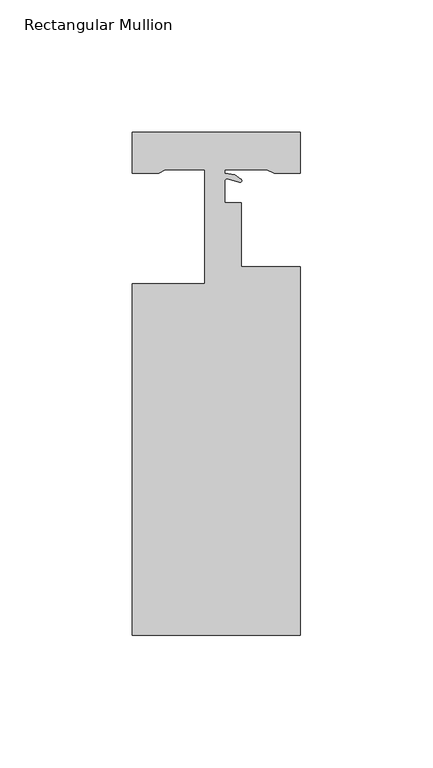
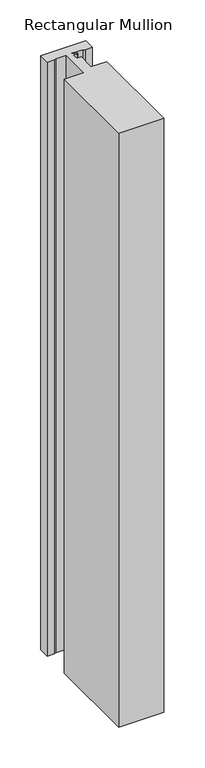
"""IFC4 building model written with IfcOpenShell, lengths in millimetres: member geometry, Rectangular Mullion."""

import ifcopenshell
import ifcopenshell.guid

model = None  # the IFC model being written
_history = None  # IfcOwnerHistory: only IFC2X3 demands one
_inside = {}  # id of a spatial element -> (the spatial element, [elements in it])
_under = {}  # id of a project, library or spatial element -> (it, [spatial elements below it])
_declared = {}  # id of a project -> (the project, [libraries it declares])
_typed = {}  # id of a type object -> (the type object, [elements of that type])
_made_of = {}  # id of a material, layer set ... -> (it, [elements and type objects made of it])


def new_model(schema):
    """Start an empty IFC model of exactly this schema.

    Asked for "IFC4X3", IfcOpenShell would pick the latest addendum, in which some entities
    have other attributes; the version numbers below select the first issue.
    IFC2X3 requires an IfcOwnerHistory on every rooted entity: one is made here for all.
    """
    global model, _history
    if schema == "IFC4X3":
        model = ifcopenshell.file(schema_version=(4, 3, 0, 0))
    else:
        model = ifcopenshell.file(schema=schema)
    _inside.clear()
    _under.clear()
    _declared.clear()
    _typed.clear()
    _made_of.clear()
    _history = None
    if model.schema == "IFC2X3":
        org = make("IfcOrganization", Name="unknown")
        user = make(
            "IfcPersonAndOrganization",
            ThePerson=make("IfcPerson", FamilyName="unknown"),
            TheOrganization=org,
        )
        app = make(
            "IfcApplication",
            ApplicationDeveloper=org,
            Version="unknown",
            ApplicationFullName="unknown",
            ApplicationIdentifier="unknown",
        )
        _history = make(
            "IfcOwnerHistory",
            OwningUser=user,
            OwningApplication=app,
            ChangeAction="ADDED",
            CreationDate=0,
        )
    return model


def make(cls, **values):
    """One entity of the class cls with the attributes given. An attribute that is None is left unset."""
    return model.create_entity(
        cls, **{name: value for name, value in values.items() if value is not None}
    )


def rooted(cls, **values):
    """An entity with a GlobalId (a new one), such as an element, a storey or a relation."""
    return make(cls, GlobalId=ifcopenshell.guid.new(), OwnerHistory=_history, **values)


def si_unit(unit_type, name, prefix=None):
    """IfcSIUnit, for example si_unit("LENGTHUNIT", "METRE", prefix="MILLI")."""
    return make("IfcSIUnit", UnitType=unit_type, Prefix=prefix, Name=name)


def assignment(units):
    """IfcUnitAssignment: the units of a project."""
    return None if units is None else make("IfcUnitAssignment", Units=units)


def point(xyz):
    """IfcCartesianPoint."""
    return None if xyz is None else make("IfcCartesianPoint", Coordinates=xyz)


def direction(xyz):
    """IfcDirection."""
    return None if xyz is None else make("IfcDirection", DirectionRatios=xyz)


def frame(location, z_axis=None, x_axis=None):
    """IfcAxis2Placement3D, a coordinate frame: its origin and axes. An axis left out is left unset."""
    return make(
        "IfcAxis2Placement3D",
        Location=point(location),
        Axis=direction(z_axis),
        RefDirection=direction(x_axis),
    )


def frame_2d(location, x_axis=None):
    """IfcAxis2Placement2D, a coordinate frame in the plane: its origin and x axis."""
    return make(
        "IfcAxis2Placement2D", Location=point(location), RefDirection=direction(x_axis)
    )


def origin():
    """The frame at (0, 0, 0) with its axes left unset."""
    return frame((0.0, 0.0, 0.0))


def place(relative_to, where):
    """IfcLocalPlacement: puts the frame where relative to a parent placement (None: the world)."""
    return make(
        "IfcLocalPlacement", PlacementRelTo=relative_to, RelativePlacement=where
    )


def context(
    kind, dimensions, precision=None, world=None, true_north=None, identifier=None
):
    """IfcGeometricRepresentationContext, for example the 3D "Model" context."""
    return make(
        "IfcGeometricRepresentationContext",
        ContextIdentifier=identifier,
        ContextType=kind,
        CoordinateSpaceDimension=dimensions,
        Precision=precision,
        WorldCoordinateSystem=world,
        TrueNorth=true_north,
    )


def project(units=None, contexts=None):
    """IfcProject with its units and contexts."""
    return rooted(
        "IfcProject",
        Name="project",
        RepresentationContexts=contexts,
        UnitsInContext=assignment(units),
    )


def spatial(cls, under=None, at=None, **own):
    """A site, building, storey or space (cls), placed at a placement, below another one or the project."""
    s = rooted(cls, ObjectPlacement=at, **own)
    if under is not None:
        _under.setdefault(under.id(), (under, []))[1].append(s)
    return s


def polyline(points):
    """IfcPolyline through the points."""
    return make("IfcPolyline", Points=[point(p) for p in points])


def circle_curve(where, radius):
    """IfcCircle in the frame where."""
    return make("IfcCircle", Position=where, Radius=radius)


def trimmed(basis, trim1, trim2, sense, master):
    """IfcTrimmedCurve: the piece of a basis curve between two trims."""
    return make(
        "IfcTrimmedCurve",
        BasisCurve=basis,
        Trim1=trim1,
        Trim2=trim2,
        SenseAgreement=sense,
        MasterRepresentation=master,
    )


def segment(curve, same_sense, transition):
    """IfcCompositeCurveSegment."""
    return make(
        "IfcCompositeCurveSegment",
        Transition=transition,
        SameSense=same_sense,
        ParentCurve=curve,
    )


def composite_curve(segments, self_intersect=None):
    """IfcCompositeCurve: segments joined end to end."""
    return make("IfcCompositeCurve", Segments=segments, SelfIntersect=self_intersect)


def outline(outer, holes=None, kind="AREA"):
    """IfcArbitraryClosedProfileDef: a profile drawn as a closed curve; with holes, ...WithVoids."""
    if holes is None:
        return make("IfcArbitraryClosedProfileDef", ProfileType=kind, OuterCurve=outer)
    return make(
        "IfcArbitraryProfileDefWithVoids",
        ProfileType=kind,
        OuterCurve=outer,
        InnerCurves=holes,
    )


def extrude(swept, where, along, depth):
    """IfcExtrudedAreaSolid: the profile swept, set in the frame where, extruded along a direction by depth."""
    return make(
        "IfcExtrudedAreaSolid",
        SweptArea=swept,
        Position=where,
        ExtrudedDirection=direction(along),
        Depth=depth,
    )


def shape(context_of_items, identifier, shape_type, items):
    """IfcShapeRepresentation: the items that make up one representation, for example the "Body"."""
    return make(
        "IfcShapeRepresentation",
        ContextOfItems=context_of_items,
        RepresentationIdentifier=identifier,
        RepresentationType=shape_type,
        Items=items,
    )


def source(mapping_origin, context_of_items, identifier, shape_type, items):
    """IfcRepresentationMap: a shape defined once, which mapped items show again and again."""
    return make(
        "IfcRepresentationMap",
        MappingOrigin=mapping_origin,
        MappedRepresentation=shape(context_of_items, identifier, shape_type, items),
    )


def transform(
    local_origin,
    x_axis=None,
    y_axis=None,
    z_axis=None,
    scale=None,
    scale2=None,
    scale3=None,
    uniform=True,
):
    """IfcCartesianTransformationOperator3D, or its non-uniform kind. x_axis, y_axis, z_axis: its Axis1, 2, 3."""
    if uniform:
        return make(
            "IfcCartesianTransformationOperator3D",
            Axis1=direction(x_axis),
            Axis2=direction(y_axis),
            LocalOrigin=point(local_origin),
            Scale=scale,
            Axis3=direction(z_axis),
        )
    return make(
        "IfcCartesianTransformationOperator3DnonUniform",
        Axis1=direction(x_axis),
        Axis2=direction(y_axis),
        LocalOrigin=point(local_origin),
        Scale=scale,
        Axis3=direction(z_axis),
        Scale2=scale2,
        Scale3=scale3,
    )


def mapped(mapping_source, mapping_target):
    """IfcMappedItem: shows the shape of a source again, moved by a transform."""
    return make(
        "IfcMappedItem", MappingSource=mapping_source, MappingTarget=mapping_target
    )


def made_of(thing, what):
    """Note that an element or type object is made of a material, layer set ...; save() writes the relation."""
    if what is not None:
        _made_of.setdefault(what.id(), (what, []))[1].append(thing)
    return thing


def element(
    cls,
    number,
    at=None,
    inside=None,
    cuts=None,
    type_object=None,
    material=None,
    context=None,
    identifier="Body",
    shape_type=None,
    held_by="IfcProductDefinitionShape",
    body=None,
    shapes=None,
    **own,
):
    """One element of the class cls, such as IfcWall. Its Tag is "e" and its number.

    at: its placement. inside: the storey or other place that contains it. cuts: it is an
    opening in that element (IfcRelVoidsElement). A single representation is given by context,
    identifier, shape_type and body (its items); several are given by shapes. held_by: the class
    of the entity that holds the representations. save() writes the other relations.
    """
    e = rooted(cls, Tag="e%d" % number, ObjectPlacement=at, **own)
    if body is not None:
        shapes = [shape(context, identifier, shape_type, body)]
    if shapes is not None:
        e.Representation = make(held_by, Representations=shapes)
    if inside is not None:
        _inside.setdefault(inside.id(), (inside, []))[1].append(e)
    if cuts is not None:
        rooted(
            "IfcRelVoidsElement", RelatingBuildingElement=cuts, RelatedOpeningElement=e
        )
    if type_object is not None:
        _typed.setdefault(type_object.id(), (type_object, []))[1].append(e)
    return made_of(e, material)


def aggregate(whole, parts):
    """IfcRelAggregates: a whole, such as a stair, and the parts it consists of."""
    return rooted("IfcRelAggregates", RelatingObject=whole, RelatedObjects=parts)


def save(model, path):
    """Write the relations noted so far, then the file.

    IfcRelAggregates (storeys below a building ...), IfcRelContainedInSpatialStructure (elements
    in a storey), IfcRelDefinesByType, IfcRelAssociatesMaterial and IfcRelDeclares: one each for
    every whole, place, type object, material and project.
    """
    for whole, parts in _under.values():
        aggregate(whole, parts)
    for where, things in _inside.values():
        rooted(
            "IfcRelContainedInSpatialStructure",
            RelatedElements=things,
            RelatingStructure=where,
        )
    for kind, things in _typed.values():
        rooted("IfcRelDefinesByType", RelatedObjects=things, RelatingType=kind)
    for what, things in _made_of.values():
        rooted("IfcRelAssociatesMaterial", RelatedObjects=things, RelatingMaterial=what)
    for by, libraries in _declared.values():
        rooted("IfcRelDeclares", RelatingContext=by, RelatedDefinitions=libraries)
    model.write(path)


def rectangular_mullion_db44400c(model_context):
    return source(origin(), model_context, "Body", "SweptSolid", [
        extrude(outline(composite_curve([segment(polyline([(31.75, -151.892), (-31.75, -151.892), (-31.75, -19.05), (-4.4809208, -19.05), (-4.4809208, 24.003), (-19.2970846, 24.003), (-21.8329567, 22.7330977), (-31.75, 22.7330977), (-31.75, 38.1), (31.75, 38.1), (31.75, 22.7330002), (21.8335611, 22.7330002), (19.05, 24.003), (3.1750001, 24.003), (3.1750001, 22.6708645), (6.9736326, 22.0206601), (9.2271396, 20.4427376)]), True, "CONTINUOUS"), segment(trimmed(circle_curve(frame_2d((8.8264964, 19.8705599)), 0.6985), [point((9.2271396, 20.4427376))], [point((8.6323393, 19.1995865))], False, "CARTESIAN"), True, "CONTINUOUS"), segment(polyline([(8.6323393, 19.1995865), (4.1488042, 20.4969706)]), True, "CONTINUOUS"), segment(trimmed(circle_curve(frame_2d((3.9369964, 19.7649996)), 0.762), [point((4.1488042, 20.4969706))], [point((3.1750001, 19.7626247))], True, "CARTESIAN"), True, "CONTINUOUS"), segment(polyline([(3.1750001, 19.7626247), (3.1750001, 11.4344315), (9.4838903, 11.4344315), (9.4838903, -12.7), (31.75, -12.7), (31.75, -151.892)]), True, "CONTINUOUS")], self_intersect=False)), frame((0.0, 0.0, -885.8296567), z_axis=(0.0, 0.0, 1.0), x_axis=(1.0, 0.0, 0.0)), (0.0, 0.0, 1.0), 885.8296567),
    ])


if __name__ == "__main__":
    model = new_model("IFC4")
    model_context = context("Model", 3, world=origin())
    ifc_project = project(units=[si_unit("LENGTHUNIT", "METRE", prefix="MILLI")], contexts=[model_context])
    site = spatial("IfcSite", under=ifc_project)
    building = spatial("IfcBuilding", under=site)
    placement = place(None, origin())
    rectangular_mullion_shape = rectangular_mullion_db44400c(model_context)
    element("IfcMember", 1, ObjectType="Rectangular Mullion", at=placement, inside=building, context=model_context, shape_type="MappedRepresentation", body=[
        mapped(rectangular_mullion_shape, transform((0.0, 0.0, 0.0), x_axis=(1.0, 0.0, 0.0), y_axis=(0.0, 1.0, 0.0), z_axis=(0.0, 0.0, 1.0))),
    ])
    save(model, "model.ifc")
